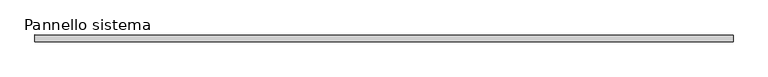
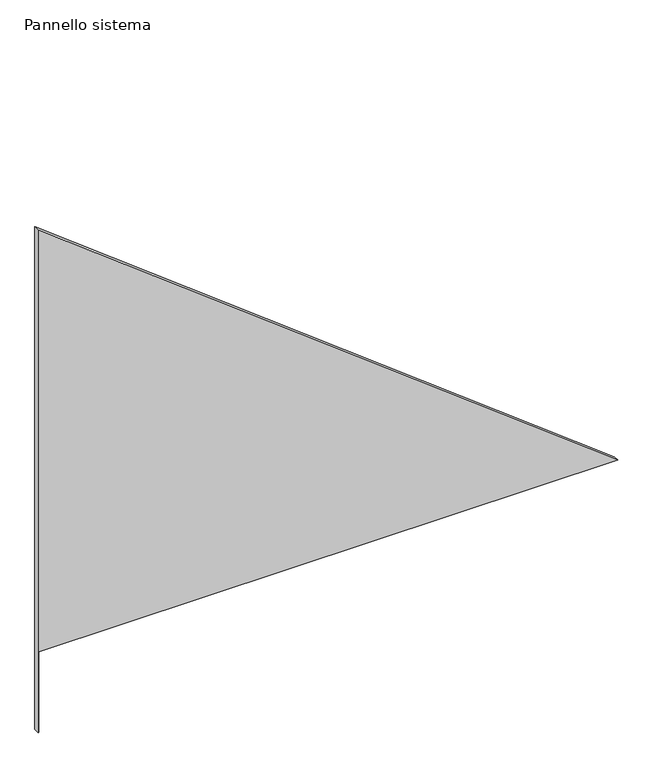
"""IFC4 building model written with IfcOpenShell, lengths in millimetres: plate geometry, Pannello sistema."""

from ifc_helpers import new_model, si_unit, frame, origin, place, context, project, spatial, polyline, outline, extrude, source, transform, mapped, element, save


def pannello_sistema_013ec322(model_context):
    return source(origin(), model_context, "Body", "SweptSolid", [
        extrude(outline(polyline([(0.0, -1274.0368232), (0.0, -1270.7301461), (374.1802384, -1270.7301461), (374.1802384, 1274.0368232), (2335.396278, -1274.0368232), (0.0, -1274.0368232)])), frame((0.0, -12.5, 0.0), z_axis=(0.0, 1.0, 0.0), x_axis=(0.0, 0.0, 1.0)), (0.0, 0.0, 1.0), 25.0),
    ])


if __name__ == "__main__":
    model = new_model("IFC4")
    model_context = context("Model", 3, world=origin())
    ifc_project = project(units=[si_unit("LENGTHUNIT", "METRE", prefix="MILLI")], contexts=[model_context])
    site = spatial("IfcSite", under=ifc_project)
    building = spatial("IfcBuilding", under=site)
    placement = place(None, origin())
    pannello_sistema_shape = pannello_sistema_013ec322(model_context)
    element("IfcPlate", 1, ObjectType="Pannello sistema", at=placement, inside=building, context=model_context, shape_type="MappedRepresentation", body=[
        mapped(pannello_sistema_shape, transform((0.0, 0.0, 0.0), x_axis=(1.0, 0.0, 0.0), y_axis=(0.0, 1.0, 0.0), z_axis=(0.0, 0.0, 1.0))),
    ])
    save(model, "model.ifc")
